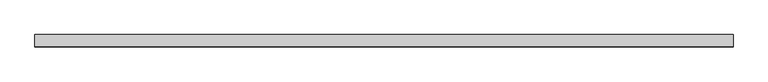
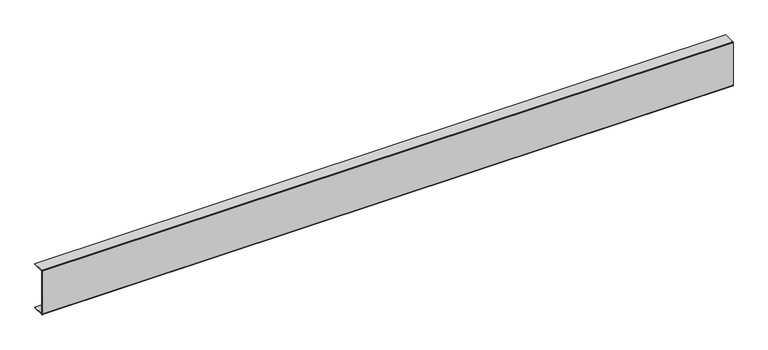
"""IFC4 building model written with IfcOpenShell, lengths in millimetres: proxy geometry."""

from ifc_helpers import new_model, si_unit, point, frame, frame_2d, origin, place, context, project, spatial, polyline, circle_curve, trimmed, segment, composite_curve, outline, extrude, source, transform, mapped, element, save


def generic_models_7565f4b2(model_context):
    return source(origin(), model_context, "Body", "SweptSolid", [
        extrude(outline(composite_curve([segment(polyline([(2.0, 151.0), (40.0, 151.0), (40.0, 149.0), (2.0, 149.0), (2.0, 2.0), (40.0, 2.0), (40.0, 0.0), (2.0, 0.0)]), True, "CONTINUOUS"), segment(trimmed(circle_curve(frame_2d((2.0, 2.0)), 2.0), [point((2.0, 0.0))], [point((0.0, 2.0))], False, "CARTESIAN"), True, "CONTINUOUS"), segment(polyline([(0.0, 2.0), (0.0, 149.0)]), True, "CONTINUOUS"), segment(trimmed(circle_curve(frame_2d((2.0, 149.0)), 2.0), [point((0.0, 149.0))], [point((2.0, 151.0))], False, "CARTESIAN"), True, "CONTINUOUS")], self_intersect=False)), frame((0.0, 0.0, 0.0), z_axis=(1.0, 0.0, 0.0), x_axis=(0.0, 1.0, 0.0)), (0.0, 0.0, 1.0), 2245.0),
    ])


if __name__ == "__main__":
    model = new_model("IFC4")
    model_context = context("Model", 3, world=origin())
    ifc_project = project(units=[si_unit("LENGTHUNIT", "METRE", prefix="MILLI")], contexts=[model_context])
    site = spatial("IfcSite", under=ifc_project)
    building = spatial("IfcBuilding", under=site)
    placement = place(None, origin())
    generic_models_shape = generic_models_7565f4b2(model_context)
    element("IfcBuildingElementProxy", 1, Name="Generic Models", at=placement, inside=building, context=model_context, shape_type="MappedRepresentation", body=[
        mapped(generic_models_shape, transform((0.0, 0.0, 0.0), x_axis=(1.0, 0.0, 0.0), y_axis=(0.0, 1.0, 0.0), z_axis=(0.0, 0.0, 1.0))),
    ])
    save(model, "model.ifc")
